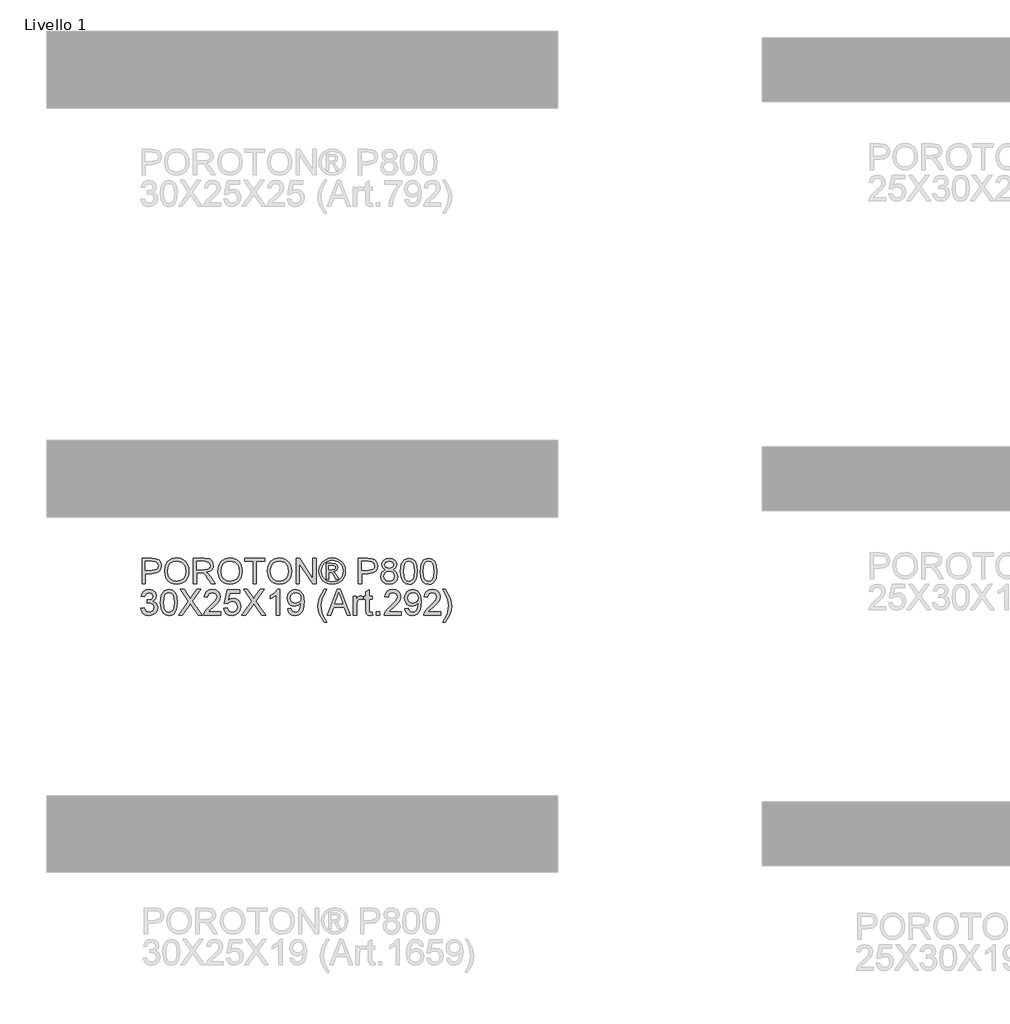
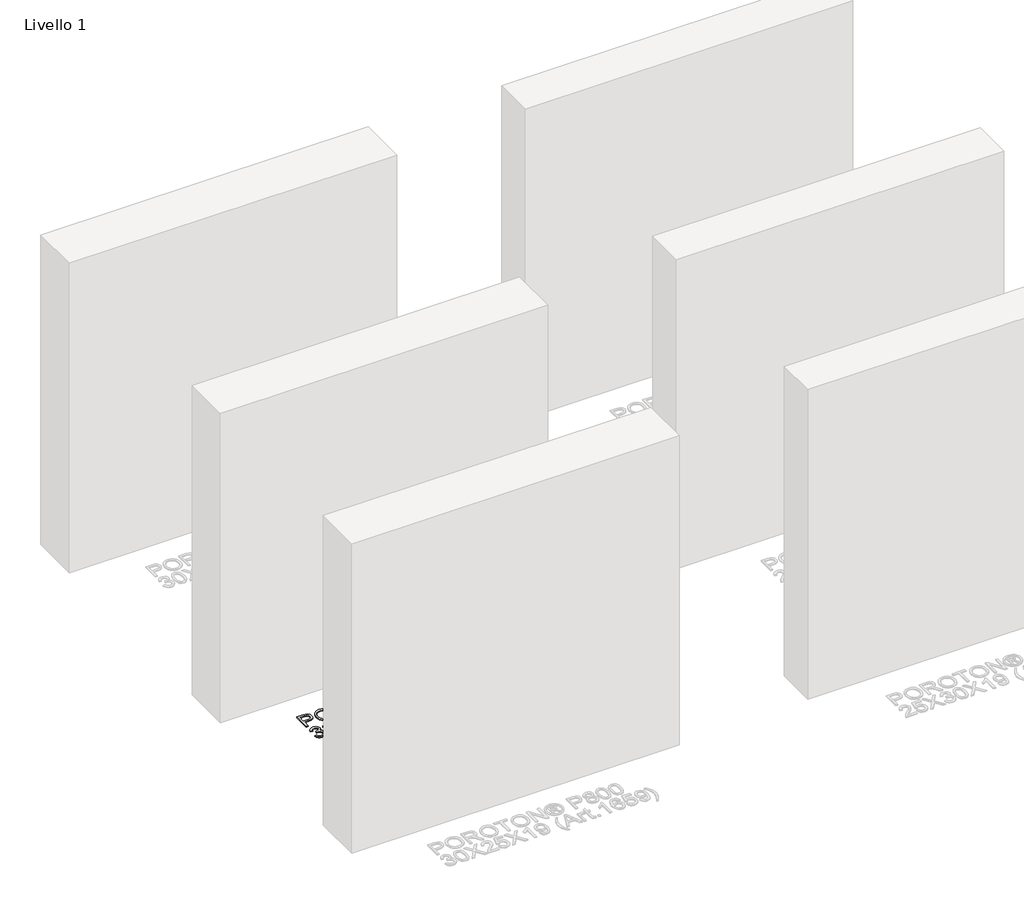
# One storey, part 3 of 8: 1 proxy.
"""IFC4 building model written with IfcOpenShell, lengths in millimetres."""

from ifc_helpers import new_model, si_unit, origin, origin_with_axes, place, context, project, spatial, polyline, outline, extrude, element, save

model = new_model("IFC4")

# Units and contexts
model_context = context("Model", 3, world=origin())
ifc_project = project(units=[si_unit("LENGTHUNIT", "METRE", prefix="MILLI")], contexts=[model_context])

# Site, building, storey
site = spatial("IfcSite", under=ifc_project)
building = spatial("IfcBuilding", under=site)
storey = spatial("IfcBuildingStorey", under=building, Name="Livello 1", Elevation=0.0)

# Proxy
placement = place(None, origin())
element("IfcBuildingElementProxy", 1, Name="100", ObjectType="100", at=placement, inside=storey, context=model_context, shape_type="SweptSolid", body=[
    extrude(outline(polyline([(-1769.2904212, 2265.8662597), (-1769.2904212, 2366.3225698), (-1732.0607633, 2366.3225698), (-1717.0511779, 2365.3660766), (-1704.8497584, 2360.6694498), (-1696.9402955, 2350.9573651), (-1693.9481886, 2337.2598922), (-1695.9684739, 2325.4202233), (-1702.0293298, 2315.5548545), (-1713.3631609, 2308.8961904), (-1731.202372, 2306.6766356), (-1756.7333825, 2306.6766356), (-1756.7333825, 2265.8662597), (-1769.2904212, 2265.8662597)]), holes=[polyline([(-1756.7333825, 2319.2336744), (-1730.466608, 2319.2336744), (-1711.9744064, 2323.8444621), (-1707.8725221, 2329.3933489), (-1706.5052274, 2336.8184338), (-1709.7303262, 2347.2172315), (-1718.2038748, 2352.9071397), (-1730.7609136, 2353.765531), (-1756.7333825, 2353.765531), (-1756.7333825, 2319.2336744)])]), origin_with_axes(), (0.0, 0.0, 1.0), 5.0),
    extrude(outline(polyline([(-1681.3911499, 2314.7700395), (-1678.0434237, 2336.9839807), (-1668.0002452, 2353.7900565), (-1652.6656974, 2364.3666639), (-1633.4438632, 2367.8921996), (-1620.2675564, 2366.2367307), (-1608.4524129, 2361.2703237), (-1598.6422264, 2353.3424667), (-1591.4807902, 2342.8026476), (-1587.1029945, 2330.1597697), (-1585.6437292, 2315.9227365), (-1587.1796366, 2301.4956309), (-1591.7873586, 2288.6749434), (-1599.2124435, 2278.1167301), (-1609.2004397, 2270.4770473), (-1620.9144155, 2265.8417342), (-1633.5174396, 2264.2966298), (-1646.8960814, 2266.0042154), (-1658.7786699, 2271.1269722), (-1668.564331, 2279.201982), (-1675.6521907, 2289.7663266), (-1681.3911499, 2314.7700395)]), holes=[polyline([(-1668.8341111, 2314.6474122), (-1666.3233165, 2298.9327197), (-1658.7909326, 2286.9581607), (-1647.4693642, 2279.3797916), (-1633.591016, 2276.8536686), (-1619.5103326, 2279.4043171), (-1608.1703701, 2287.0562626), (-1600.6931685, 2299.3987035), (-1598.200768, 2316.0208383), (-1602.4681992, 2336.7448574), (-1614.9393988, 2350.4668558), (-1633.3702868, 2355.3351609), (-1646.8776873, 2352.9899132), (-1658.361737, 2345.95417), (-1666.2160176, 2333.4369851), (-1668.8341111, 2314.6474122)])]), origin_with_axes(), (0.0, 0.0, 1.0), 5.0),
    extrude(outline(polyline([(-1568.3778009, 2265.8662597), (-1568.3778009, 2366.3225698), (-1525.0903528, 2366.3225698), (-1504.9917332, 2363.6125058), (-1494.0043242, 2354.0230484), (-1489.8963086, 2338.829522), (-1491.5977629, 2328.9334964), (-1496.7021255, 2320.7297279), (-1505.3626808, 2314.7148572), (-1517.7327129, 2311.3855252), (-1510.5958022, 2306.0144481), (-1500.4177337, 2293.0895273), (-1483.6668402, 2265.8662597), (-1498.2594927, 2265.8662597), (-1511.3315662, 2286.6883806), (-1520.7738708, 2300.4716927), (-1527.4080094, 2306.983204), (-1533.3799605, 2309.3744369), (-1540.664024, 2309.8158953), (-1555.8207622, 2309.8158953), (-1555.8207622, 2265.8662597), (-1568.3778009, 2265.8662597)]), holes=[polyline([(-1555.8207622, 2322.3729341), (-1527.7145777, 2322.3729341), (-1513.3794427, 2324.1510304), (-1505.2369878, 2329.8409386), (-1502.4533474, 2338.3635382), (-1507.7631109, 2349.4245235), (-1524.5507926, 2353.765531), (-1555.8207622, 2353.765531), (-1555.8207622, 2322.3729341)])]), origin_with_axes(), (0.0, 0.0, 1.0), 5.0),
    extrude(outline(polyline([(-1472.6303803, 2314.7700395), (-1469.2826542, 2336.9839807), (-1459.2394757, 2353.7900565), (-1443.9049279, 2364.3666639), (-1424.6830936, 2367.8921996), (-1411.5067868, 2366.2367307), (-1399.6916434, 2361.2703237), (-1389.8814569, 2353.3424667), (-1382.7200207, 2342.8026476), (-1378.342225, 2330.1597697), (-1376.8829597, 2315.9227365), (-1378.418867, 2301.4956309), (-1383.026589, 2288.6749434), (-1390.451674, 2278.1167301), (-1400.4396701, 2270.4770473), (-1412.153646, 2265.8417342), (-1424.75667, 2264.2966298), (-1438.1353119, 2266.0042154), (-1450.0179004, 2271.1269722), (-1459.8035614, 2279.201982), (-1466.8914212, 2289.7663266), (-1472.6303803, 2314.7700395)]), holes=[polyline([(-1460.0733416, 2314.6474122), (-1457.5625469, 2298.9327197), (-1450.0301631, 2286.9581607), (-1438.7085947, 2279.3797916), (-1424.8302464, 2276.8536686), (-1410.7495631, 2279.4043171), (-1399.4096006, 2287.0562626), (-1391.932399, 2299.3987035), (-1389.4399985, 2316.0208383), (-1393.7074296, 2336.7448574), (-1406.1786293, 2350.4668558), (-1424.6095172, 2355.3351609), (-1438.1169178, 2352.9899132), (-1449.6009674, 2345.95417), (-1457.455248, 2333.4369851), (-1460.0733416, 2314.6474122)])]), origin_with_axes(), (0.0, 0.0, 1.0), 5.0),
    extrude(outline(polyline([(-1334.5029539, 2265.8662597), (-1334.5029539, 2353.765531), (-1367.4651806, 2353.765531), (-1367.4651806, 2366.3225698), (-1288.9836883, 2366.3225698), (-1288.9836883, 2353.765531), (-1321.9459151, 2353.765531), (-1321.9459151, 2265.8662597), (-1334.5029539, 2265.8662597)])), origin_with_axes(), (0.0, 0.0, 1.0), 5.0),
    extrude(outline(polyline([(-1279.5659093, 2314.7700395), (-1276.2181831, 2336.9839807), (-1266.1750046, 2353.7900565), (-1250.8404568, 2364.3666639), (-1231.6186226, 2367.8921996), (-1218.4423158, 2366.2367307), (-1206.6271723, 2361.2703237), (-1196.8169858, 2353.3424667), (-1189.6555496, 2342.8026476), (-1185.2777539, 2330.1597697), (-1183.8184886, 2315.9227365), (-1185.354396, 2301.4956309), (-1189.962118, 2288.6749434), (-1197.3872029, 2278.1167301), (-1207.3751991, 2270.4770473), (-1219.0891749, 2265.8417342), (-1231.692199, 2264.2966298), (-1245.0708408, 2266.0042154), (-1256.9534293, 2271.1269722), (-1266.7390904, 2279.201982), (-1273.8269501, 2289.7663266), (-1279.5659093, 2314.7700395)]), holes=[polyline([(-1267.0088705, 2314.6474122), (-1264.4980759, 2298.9327197), (-1256.965692, 2286.9581607), (-1245.6441236, 2279.3797916), (-1231.7657754, 2276.8536686), (-1217.685092, 2279.4043171), (-1206.3451295, 2287.0562626), (-1198.8679279, 2299.3987035), (-1196.3755274, 2316.0208383), (-1200.6429586, 2336.7448574), (-1213.1141582, 2350.4668558), (-1231.5450462, 2355.3351609), (-1245.0524467, 2352.9899132), (-1256.5364964, 2345.95417), (-1264.390777, 2333.4369851), (-1267.0088705, 2314.6474122)])]), origin_with_axes(), (0.0, 0.0, 1.0), 5.0),
    extrude(outline(polyline([(-1166.5525603, 2265.8662597), (-1166.5525603, 2366.3225698), (-1153.1126048, 2366.3225698), (-1100.6281068, 2286.7374315), (-1100.6281068, 2366.3225698), (-1088.071068, 2366.3225698), (-1088.071068, 2265.8662597), (-1101.5110236, 2265.8662597), (-1153.9955216, 2345.4759234), (-1153.9955216, 2265.8662597), (-1166.5525603, 2265.8662597)])), origin_with_axes(), (0.0, 0.0, 1.0), 5.0),
    extrude(outline(polyline([(-1025.2613487, 2367.8921996), (-1012.3670848, 2366.2183366), (-999.7793892, 2361.1967473), (-988.7214696, 2353.0604239), (-980.4165335, 2342.0423581), (-975.2202003, 2329.3197725), (-973.4880893, 2316.0698893), (-975.1956749, 2302.936502), (-980.3184317, 2290.3181496), (-988.5222001, 2279.3399377), (-999.4728209, 2271.1269722), (-1012.0819763, 2266.0042154), (-1025.2613487, 2264.2966298), (-1038.4223271, 2266.0042154), (-1051.0253511, 2271.1269722), (-1061.9851689, 2279.3399377), (-1070.2165285, 2290.3181496), (-1075.3668765, 2302.936502), (-1077.0836591, 2316.0698893), (-1075.342351, 2329.3197725), (-1070.1184267, 2342.0423581), (-1061.7858995, 2353.0604239), (-1050.7187828, 2361.1967473), (-1038.1372186, 2366.2183366), (-1025.2613487, 2367.8921996)]), holes=[polyline([(-1025.2613487, 2358.4744206), (-1046.0834697, 2352.9929788), (-1055.111907, 2346.331249), (-1061.9391836, 2337.3089431), (-1067.66588, 2316.0698893), (-1062.0495482, 2295.0147764), (-1046.3287243, 2279.3307407), (-1025.2613487, 2273.7144089), (-1004.1817104, 2279.3307407), (-988.4976747, 2295.0147764), (-982.9058683, 2316.0698893), (-988.5957765, 2337.3089431), (-995.4046591, 2346.331249), (-1004.4514905, 2352.9929788), (-1025.2613487, 2358.4744206)])]), origin_with_axes(), (0.0, 0.0, 1.0), 5.0),
    extrude(outline(polyline([(-1048.8303219, 2284.7018178), (-1048.8303219, 2347.4870116), (-1028.5477612, 2347.4870116), (-1013.4891249, 2345.7579663), (-1006.0701713, 2339.7247015), (-1003.3110563, 2330.5644399), (-1008.0689968, 2318.6450632), (-1020.6750865, 2312.955155), (-1015.7699933, 2309.6196916), (-1007.2106055, 2297.0871783), (-1000.1717967, 2284.7018178), (-1010.7667981, 2284.7018178), (-1016.285028, 2294.6591571), (-1025.5311289, 2309.0801314), (-1033.5509564, 2311.3855252), (-1039.4125428, 2311.3855252), (-1039.4125428, 2284.7018178), (-1048.8303219, 2284.7018178)]), holes=[polyline([(-1039.4125428, 2320.8033043), (-1027.4931662, 2320.8033043), (-1015.8435697, 2323.1945372), (-1012.7288354, 2329.5343703), (-1014.2248889, 2334.096107), (-1018.3819554, 2337.0882139), (-1028.2534556, 2338.0692326), (-1039.4125428, 2338.0692326), (-1039.4125428, 2320.8033043)])]), origin_with_axes(), (0.0, 0.0, 1.0), 5.0),
    extrude(outline(polyline([(-923.2599342, 2265.8662597), (-923.2599342, 2366.3225698), (-886.0302763, 2366.3225698), (-871.0206909, 2365.3660766), (-858.8192714, 2360.6694498), (-850.9098085, 2350.9573651), (-847.9177016, 2337.2598922), (-849.9379869, 2325.4202233), (-855.9988427, 2315.5548545), (-867.3326739, 2308.8961904), (-885.171885, 2306.6766356), (-910.7028954, 2306.6766356), (-910.7028954, 2265.8662597), (-923.2599342, 2265.8662597)]), holes=[polyline([(-910.7028954, 2319.2336744), (-884.436121, 2319.2336744), (-865.9439193, 2323.8444621), (-861.8420351, 2329.3933489), (-860.4747404, 2336.8184338), (-863.6998392, 2347.2172315), (-872.1733878, 2352.9071397), (-884.7304266, 2353.765531), (-910.7028954, 2353.765531), (-910.7028954, 2319.2336744)])]), origin_with_axes(), (0.0, 0.0, 1.0), 5.0),
    extrude(outline(polyline([(-817.0646649, 2321.1957117), (-828.505795, 2328.99481), (-832.2214031, 2341.1349159), (-830.1980522, 2350.9512338), (-824.1279992, 2359.0630318), (-814.6918261, 2364.5076853), (-802.5701143, 2366.3225698), (-790.3748262, 2364.4647657), (-780.8160257, 2358.8913535), (-774.6356081, 2350.6507968), (-772.575469, 2340.7915593), (-776.2420262, 2328.9580218), (-787.3643252, 2321.1957117), (-774.0102088, 2311.348737), (-769.4362093, 2295.1006155), (-771.7048149, 2283.0953998), (-778.5106318, 2273.1748486), (-789.0197942, 2266.5161845), (-802.398436, 2264.2966298), (-815.7770779, 2266.5253816), (-826.2862403, 2273.2116368), (-833.0920572, 2283.2272241), (-835.3606628, 2295.4439721), (-830.6027223, 2312.0722382), (-817.0646649, 2321.1957117)]), holes=[polyline([(-819.6643644, 2340.7670339), (-815.2129922, 2330.9077964), (-802.2512833, 2327.0818236), (-789.5470917, 2330.8832709), (-785.1325077, 2340.2029481), (-789.6942445, 2349.8537191), (-802.398436, 2353.765531), (-815.1394158, 2349.9395583), (-819.6643644, 2340.7670339)]), polyline([(-822.803624, 2295.8854305), (-820.7066967, 2286.4308632), (-813.2877431, 2279.3552661), (-802.3003342, 2276.8536686), (-793.7532092, 2278.1688467), (-787.3397997, 2282.1143811), (-781.9932481, 2295.493023), (-787.511478, 2309.1291823), (-794.0720402, 2313.1758842), (-802.7172671, 2314.5247849), (-811.1448305, 2313.1942783), (-817.4938606, 2309.2027587), (-822.803624, 2295.8854305)])]), origin_with_axes(), (0.0, 0.0, 1.0), 5.0),
    extrude(outline(polyline([(-758.4488004, 2315.2850743), (-754.7577177, 2344.1883364), (-743.7948342, 2360.8533908), (-725.4865736, 2366.3225698), (-710.8203447, 2363.0852082), (-700.6913271, 2353.7532683), (-694.8052152, 2338.8908357), (-692.5243468, 2315.2850743), (-696.1786413, 2286.5044396), (-707.1047366, 2269.802597), (-715.3360962, 2265.6731216), (-725.4865736, 2264.2966298), (-738.5341217, 2266.6878628), (-748.4424101, 2273.8615617), (-755.9472028, 2290.8515785), (-758.4488004, 2315.2850743)]), holes=[polyline([(-745.8917616, 2315.3095998), (-744.4202336, 2295.5574023), (-740.0056497, 2284.1254693), (-733.4328247, 2278.6716188), (-725.4865736, 2276.8536686), (-717.5403225, 2278.6777501), (-710.9674975, 2284.1499948), (-706.5529136, 2295.5880592), (-705.0813856, 2315.3095998), (-706.5038626, 2334.6172732), (-710.7712938, 2346.138111), (-717.331856, 2351.858676), (-725.6337264, 2353.765531), (-733.4941384, 2352.0855366), (-739.8094459, 2347.0455533), (-744.3711827, 2334.8073455), (-745.8917616, 2315.3095998)])]), origin_with_axes(), (0.0, 0.0, 1.0), 5.0),
    extrude(outline(polyline([(-681.5369379, 2315.2850743), (-677.8458552, 2344.1883364), (-666.8829718, 2360.8533908), (-648.5747111, 2366.3225698), (-633.9084823, 2363.0852082), (-623.7794647, 2353.7532683), (-617.8933527, 2338.8908357), (-615.6124844, 2315.2850743), (-619.2667789, 2286.5044396), (-630.1928741, 2269.802597), (-638.4242337, 2265.6731216), (-648.5747111, 2264.2966298), (-661.6222592, 2266.6878628), (-671.5305476, 2273.8615617), (-679.0353403, 2290.8515785), (-681.5369379, 2315.2850743)]), holes=[polyline([(-668.9798991, 2315.3095998), (-667.5083712, 2295.5574023), (-663.0937872, 2284.1254693), (-656.5209622, 2278.6716188), (-648.5747111, 2276.8536686), (-640.62846, 2278.6777501), (-634.0556351, 2284.1499948), (-629.6410511, 2295.5880592), (-628.1695231, 2315.3095998), (-629.5920002, 2334.6172732), (-633.8594313, 2346.138111), (-640.4199936, 2351.858676), (-648.7218639, 2353.765531), (-656.5822759, 2352.0855366), (-662.8975835, 2347.0455533), (-667.4593202, 2334.8073455), (-668.9798991, 2315.3095998)])]), origin_with_axes(), (0.0, 0.0, 1.0), 5.0),
    extrude(outline(polyline([(-1773.9993108, 2170.5751492), (-1761.442272, 2172.144779), (-1754.5138278, 2158.9255527), (-1741.5521188, 2154.8788507), (-1732.9436801, 2156.2706709), (-1726.2972787, 2160.4461316), (-1720.631896, 2174.2294437), (-1726.2482278, 2187.2156781), (-1740.5220492, 2192.3537633), (-1749.3266916, 2190.9803372), (-1747.9287401, 2203.537376), (-1745.9176518, 2203.3902232), (-1731.6683559, 2206.9954667), (-1726.9226781, 2211.5694662), (-1725.3407855, 2218.0809775), (-1729.9270478, 2227.9034268), (-1741.7483225, 2231.7907132), (-1753.7167501, 2227.8666386), (-1759.8726422, 2216.0944147), (-1772.4296809, 2217.6640446), (-1768.7324669, 2228.9396277), (-1762.1535105, 2237.357994), (-1753.1526644, 2242.6003125), (-1742.1897809, 2244.347752), (-1727.0453055, 2240.9019239), (-1716.450304, 2231.4841449), (-1712.7837468, 2218.8167415), (-1716.266363, 2207.2407214), (-1726.5670589, 2198.9265883), (-1712.8818486, 2190.3426751), (-1708.0748572, 2174.0087145), (-1710.4783529, 2161.7705068), (-1717.68884, 2151.5433873), (-1728.5720157, 2144.6272058), (-1741.9935772, 2142.321812), (-1754.133683, 2144.2899806), (-1764.017446, 2150.1944867), (-1770.8907079, 2159.2259896), (-1773.9993108, 2170.5751492)])), origin_with_axes(), (0.0, 0.0, 1.0), 5.0),
    extrude(outline(polyline([(-1697.0874483, 2193.3102565), (-1693.3963656, 2222.2135186), (-1682.4334822, 2238.878573), (-1664.1252216, 2244.347752), (-1649.4589927, 2241.1103904), (-1639.3299751, 2231.7784505), (-1633.4438632, 2216.9160178), (-1631.1629948, 2193.3102565), (-1634.8172893, 2164.5296217), (-1645.7433845, 2147.8277792), (-1653.9747442, 2143.6983038), (-1664.1252216, 2142.321812), (-1677.1727696, 2144.7130449), (-1687.0810581, 2151.8867438), (-1694.5858508, 2168.8767606), (-1697.0874483, 2193.3102565)]), holes=[polyline([(-1684.5304096, 2193.334782), (-1683.0588816, 2173.5825845), (-1678.6442976, 2162.1506515), (-1672.0714726, 2156.6968009), (-1664.1252216, 2154.8788507), (-1656.1789705, 2156.7029323), (-1649.6061455, 2162.175177), (-1645.1915615, 2173.6132413), (-1643.7200336, 2193.334782), (-1645.1425106, 2212.6424553), (-1649.4099417, 2224.1632932), (-1655.970504, 2229.8838582), (-1664.2723743, 2231.7907132), (-1672.1327863, 2230.1107187), (-1678.4480939, 2225.0707354), (-1683.0098306, 2212.8325277), (-1684.5304096, 2193.334782)])]), origin_with_axes(), (0.0, 0.0, 1.0), 5.0),
    extrude(outline(polyline([(-1626.4541052, 2143.8914418), (-1587.7283939, 2198.6322827), (-1620.1755859, 2244.347752), (-1605.1169495, 2244.347752), (-1586.8454771, 2218.6205378), (-1580.689585, 2208.589622), (-1573.4790979, 2218.792216), (-1555.4038292, 2244.347752), (-1540.1244637, 2244.347752), (-1572.5716557, 2198.4851299), (-1533.8459443, 2143.8914418), (-1548.9045807, 2143.8914418), (-1574.7053713, 2180.2872339), (-1580.0764484, 2187.8410775), (-1585.9870858, 2179.5514699), (-1611.1747397, 2143.8914418), (-1626.4541052, 2143.8914418)])), origin_with_axes(), (0.0, 0.0, 1.0), 5.0),
    extrude(outline(polyline([(-1461.6429714, 2156.4484806), (-1461.6429714, 2143.8914418), (-1527.5674249, 2143.8914418), (-1526.2185243, 2152.5489314), (-1518.5911043, 2165.8785224), (-1502.8702803, 2180.4343867), (-1481.1897681, 2201.3546095), (-1475.76964, 2215.5793799), (-1480.8831998, 2227.0940864), (-1494.2373162, 2231.7907132), (-1508.1555183, 2227.204451), (-1513.4407563, 2214.5247849), (-1525.9977951, 2216.0944147), (-1522.9535716, 2228.2406519), (-1516.3715496, 2237.1127394), (-1506.5950855, 2242.5389988), (-1493.967536, 2244.347752), (-1481.2480161, 2242.3366637), (-1471.4899461, 2236.303399), (-1465.2819375, 2227.2902901), (-1463.2126013, 2216.3396694), (-1465.4444187, 2204.4325555), (-1472.8633723, 2192.1207714), (-1490.8528018, 2174.9161567), (-1505.2983015, 2162.8373646), (-1510.9636842, 2156.4484806), (-1461.6429714, 2156.4484806)])), origin_with_axes(), (0.0, 0.0, 1.0), 5.0),
    extrude(outline(polyline([(-1449.0859326, 2170.5751492), (-1436.5288939, 2172.144779), (-1430.2013236, 2159.2075955), (-1417.0801991, 2154.8788507), (-1408.0793529, 2156.3841012), (-1401.3348497, 2160.8998527), (-1397.1226008, 2167.904939), (-1395.7185179, 2176.878194), (-1400.9792304, 2191.7896776), (-1407.5857779, 2195.8915618), (-1416.8839953, 2197.2588566), (-1427.9081924, 2195.0760901), (-1434.959264, 2189.4107073), (-1447.5163028, 2190.9803372), (-1436.5288939, 2242.7781221), (-1387.8703686, 2242.7781221), (-1387.8703686, 2230.2210833), (-1426.3753508, 2230.2210833), (-1431.7464279, 2202.5563573), (-1422.7762386, 2208.0010108), (-1413.3768536, 2209.8158953), (-1401.6444837, 2207.5656838), (-1391.9048079, 2200.8150492), (-1385.3473113, 2190.5266161), (-1383.1614791, 2177.663009), (-1385.1296478, 2165.1059702), (-1391.0341538, 2154.3638159), (-1402.3403938, 2145.332313), (-1417.12925, 2142.321812), (-1429.4624939, 2144.2562581), (-1439.2880088, 2150.0595966), (-1446.023315, 2159.0573771), (-1449.0859326, 2170.5751492)])), origin_with_axes(), (0.0, 0.0, 1.0), 5.0),
    extrude(outline(polyline([(-1378.4525896, 2143.8914418), (-1339.7268782, 2198.6322827), (-1372.1740702, 2244.347752), (-1357.1154338, 2244.347752), (-1338.8439614, 2218.6205378), (-1332.6880694, 2208.589622), (-1325.4775823, 2218.792216), (-1307.4023136, 2244.347752), (-1292.122948, 2244.347752), (-1324.57014, 2198.4851299), (-1285.8444286, 2143.8914418), (-1300.903065, 2143.8914418), (-1326.7038556, 2180.2872339), (-1332.0749327, 2187.8410775), (-1337.9855701, 2179.5514699), (-1363.173224, 2143.8914418), (-1378.4525896, 2143.8914418)])), origin_with_axes(), (0.0, 0.0, 1.0), 5.0),
    extrude(outline(polyline([(-1230.907384, 2143.8914418), (-1243.4644228, 2143.8914418), (-1243.4644228, 2222.1767304), (-1255.359274, 2213.7031818), (-1268.5785003, 2207.3633487), (-1268.5785003, 2219.2336744), (-1250.1721378, 2230.9813728), (-1239.0007879, 2244.347752), (-1230.907384, 2244.347752), (-1230.907384, 2143.8914418)])), origin_with_axes(), (0.0, 0.0, 1.0), 5.0),
    extrude(outline(polyline([(-1199.5147871, 2169.0055193), (-1186.9577483, 2170.5751492), (-1181.3168911, 2158.5944589), (-1170.6237878, 2154.8788507), (-1160.457982, 2157.2700837), (-1153.5663259, 2163.6589677), (-1149.4583103, 2174.5728002), (-1147.6434258, 2189.1409272), (-1147.7170022, 2191.5934738), (-1157.7601807, 2182.0775929), (-1171.53123, 2178.4232984), (-1182.9815571, 2180.6551159), (-1192.5127665, 2187.3505682), (-1198.9415043, 2197.6941836), (-1201.084417, 2210.8704904), (-1198.8372711, 2224.4821242), (-1192.0958335, 2235.1507021), (-1181.9698816, 2242.0484895), (-1169.5691927, 2244.347752), (-1151.677865, 2239.0993022), (-1139.3660809, 2224.1387677), (-1135.1599634, 2196.0325833), (-1139.3538182, 2165.5351659), (-1144.5685454, 2155.544104), (-1151.8250178, 2148.2569748), (-1160.8105355, 2143.8056027), (-1171.2123989, 2142.321812), (-1181.9484218, 2144.0723171), (-1190.513941, 2149.3238326), (-1196.5042861, 2157.7452646), (-1199.5147871, 2169.0055193)]), holes=[polyline([(-1147.7170022, 2211.164796), (-1149.0720342, 2219.6751328), (-1153.1371303, 2226.2234323), (-1159.4463065, 2230.398893), (-1167.533579, 2231.7907132), (-1175.9212885, 2230.2915941), (-1182.6412663, 2225.7942367), (-1187.0558502, 2218.9117777), (-1188.5273782, 2210.2573537), (-1187.135558, 2202.4981093), (-1182.9600973, 2196.3391516), (-1176.4056664, 2192.3200408), (-1167.8769355, 2190.9803372), (-1153.3946476, 2196.3391516), (-1149.1364136, 2202.7249699), (-1147.7170022, 2211.164796)])]), origin_with_axes(), (0.0, 0.0, 1.0), 5.0),
    extrude(outline(polyline([(-1056.6784711, 2115.6381046), (-1074.5084851, 2145.0931897), (-1079.9715328, 2162.2732788), (-1081.7925487, 2180.0665047), (-1076.3478951, 2210.6007103), (-1056.6784711, 2244.347752), (-1047.260692, 2244.347752), (-1059.0083904, 2224.4575987), (-1066.0717247, 2205.1805822), (-1069.2355099, 2179.9929283), (-1063.7418054, 2147.8032537), (-1047.260692, 2115.6381046), (-1056.6784711, 2115.6381046)])), origin_with_axes(), (0.0, 0.0, 1.0), 5.0),
    extrude(outline(polyline([(-1044.8326709, 2143.8914418), (-1004.7335334, 2244.347752), (-994.0404301, 2244.347752), (-953.9412926, 2143.8914418), (-967.2095699, 2143.8914418), (-978.7120136, 2175.2840387), (-1020.0864753, 2175.2840387), (-1031.5643936, 2143.8914418), (-1044.8326709, 2143.8914418)]), holes=[polyline([(-1015.4756877, 2187.8410775), (-983.2982758, 2187.8410775), (-992.3481729, 2212.5382221), (-999.3869817, 2231.7907132), (-1005.6409757, 2214.6964631), (-1015.4756877, 2187.8410775)])]), origin_with_axes(), (0.0, 0.0, 1.0), 5.0),
    extrude(outline(polyline([(-942.0954924, 2143.8914418), (-942.0954924, 2217.6640446), (-931.1080834, 2217.6640446), (-931.1080834, 2206.750212), (-923.3089851, 2216.8056532), (-915.4608359, 2219.2336744), (-902.8547462, 2215.3586507), (-907.0486009, 2204.1014617), (-915.8777688, 2206.6766356), (-922.9778913, 2204.1995635), (-927.5028399, 2197.332433), (-929.5384536, 2182.6662041), (-929.5384536, 2143.8914418), (-942.0954924, 2143.8914418)])), origin_with_axes(), (0.0, 0.0, 1.0), 5.0),
    extrude(outline(polyline([(-868.3228896, 2154.3638159), (-866.7532597, 2143.5235598), (-876.1465133, 2142.321812), (-886.6679384, 2144.4064766), (-891.9163882, 2149.8756556), (-893.4369671, 2164.1249515), (-893.4369671, 2205.1070058), (-902.8547462, 2205.1070058), (-902.8547462, 2217.6640446), (-893.4369671, 2217.6640446), (-893.4369671, 2235.5921605), (-880.8799284, 2242.9743258), (-880.8799284, 2217.6640446), (-868.3228896, 2217.6640446), (-868.3228896, 2205.1070058), (-880.8799284, 2205.1070058), (-880.8799284, 2164.4928335), (-880.2177408, 2158.0181104), (-878.0717625, 2155.7249793), (-873.7920686, 2154.8788507), (-868.3228896, 2154.3638159)])), origin_with_axes(), (0.0, 0.0, 1.0), 5.0),
    extrude(outline(polyline([(-852.6265911, 2143.8914418), (-852.6265911, 2156.4484806), (-840.0695524, 2156.4484806), (-840.0695524, 2143.8914418), (-852.6265911, 2143.8914418)])), origin_with_axes(), (0.0, 0.0, 1.0), 5.0),
    extrude(outline(polyline([(-755.3095407, 2156.4484806), (-755.3095407, 2143.8914418), (-821.2339942, 2143.8914418), (-819.8850936, 2152.5489314), (-812.2576735, 2165.8785224), (-796.5368496, 2180.4343867), (-774.8563373, 2201.3546095), (-769.4362093, 2215.5793799), (-774.549769, 2227.0940864), (-787.9038854, 2231.7907132), (-801.8220876, 2227.204451), (-807.1073256, 2214.5247849), (-819.6643644, 2216.0944147), (-816.6201408, 2228.2406519), (-810.0381188, 2237.1127394), (-800.2616548, 2242.5389988), (-787.6341053, 2244.347752), (-774.9145853, 2242.3366637), (-765.1565154, 2236.303399), (-758.9485067, 2227.2902901), (-756.8791705, 2216.3396694), (-759.110988, 2204.4325555), (-766.5299415, 2192.1207714), (-784.5193711, 2174.9161567), (-798.9648708, 2162.8373646), (-804.6302535, 2156.4484806), (-755.3095407, 2156.4484806)])), origin_with_axes(), (0.0, 0.0, 1.0), 5.0),
    extrude(outline(polyline([(-741.1828721, 2169.0055193), (-728.6258333, 2170.5751492), (-722.984976, 2158.5944589), (-712.2918727, 2154.8788507), (-702.1260669, 2157.2700837), (-695.2344109, 2163.6589677), (-691.1263952, 2174.5728002), (-689.3115107, 2189.1409272), (-689.3850871, 2191.5934738), (-699.4282656, 2182.0775929), (-713.199315, 2178.4232984), (-724.6496421, 2180.6551159), (-734.1808514, 2187.3505682), (-740.6095893, 2197.6941836), (-742.7525019, 2210.8704904), (-740.505356, 2224.4821242), (-733.7639185, 2235.1507021), (-723.6379666, 2242.0484895), (-711.2372776, 2244.347752), (-693.3459499, 2239.0993022), (-681.0341658, 2224.1387677), (-676.8280484, 2196.0325833), (-681.0219031, 2165.5351659), (-686.2366304, 2155.544104), (-693.4931027, 2148.2569748), (-702.4786205, 2143.8056027), (-712.8804839, 2142.321812), (-723.6165068, 2144.0723171), (-732.1820259, 2149.3238326), (-738.1723711, 2157.7452646), (-741.1828721, 2169.0055193)]), holes=[polyline([(-689.3850871, 2211.164796), (-690.7401191, 2219.6751328), (-694.8052152, 2226.2234323), (-701.1143914, 2230.398893), (-709.2016639, 2231.7907132), (-717.5893734, 2230.2915941), (-724.3093512, 2225.7942367), (-728.7239351, 2218.9117777), (-730.1954631, 2210.2573537), (-728.8036429, 2202.4981093), (-724.6281823, 2196.3391516), (-718.0737514, 2192.3200408), (-709.5450205, 2190.9803372), (-695.0627326, 2196.3391516), (-690.8044985, 2202.7249699), (-689.3850871, 2211.164796)])]), origin_with_axes(), (0.0, 0.0, 1.0), 5.0),
    extrude(outline(polyline([(-601.4858158, 2156.4484806), (-601.4858158, 2143.8914418), (-667.4102693, 2143.8914418), (-666.0613686, 2152.5489314), (-658.4339486, 2165.8785224), (-642.7131247, 2180.4343867), (-621.0326124, 2201.3546095), (-615.6124844, 2215.5793799), (-620.7260441, 2227.0940864), (-634.0801605, 2231.7907132), (-647.9983627, 2227.204451), (-653.2836007, 2214.5247849), (-665.8406394, 2216.0944147), (-662.7964159, 2228.2406519), (-656.2143939, 2237.1127394), (-646.4379299, 2242.5389988), (-633.8103804, 2244.347752), (-621.0908604, 2242.3366637), (-611.3327905, 2236.303399), (-605.1247818, 2227.2902901), (-603.0554456, 2216.3396694), (-605.287263, 2204.4325555), (-612.7062166, 2192.1207714), (-630.6956462, 2174.9161567), (-645.1411458, 2162.8373646), (-650.8065286, 2156.4484806), (-601.4858158, 2156.4484806)])), origin_with_axes(), (0.0, 0.0, 1.0), 5.0),
    extrude(outline(polyline([(-582.6502576, 2115.6381046), (-592.0680367, 2115.6381046), (-575.5869233, 2147.8032537), (-570.0932188, 2179.9929283), (-573.257004, 2204.959853), (-580.2467619, 2224.261395), (-592.0680367, 2244.347752), (-582.6502576, 2244.347752), (-562.9808336, 2210.6007103), (-557.5361801, 2180.0665047), (-559.366393, 2162.2732788), (-564.8570318, 2145.0931897), (-582.6502576, 2115.6381046)])), origin_with_axes(), (0.0, 0.0, 1.0), 5.0),
])

save(model, "model.ifc")
